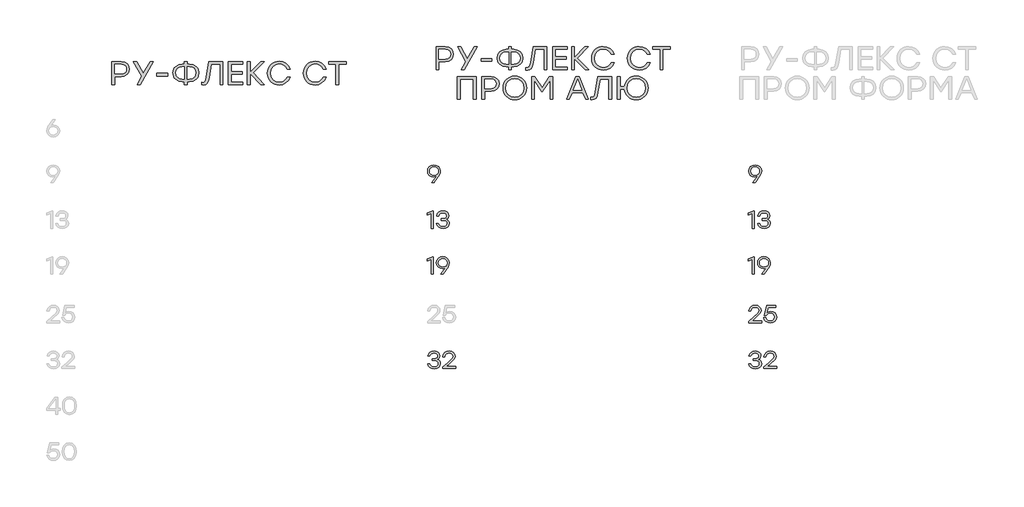
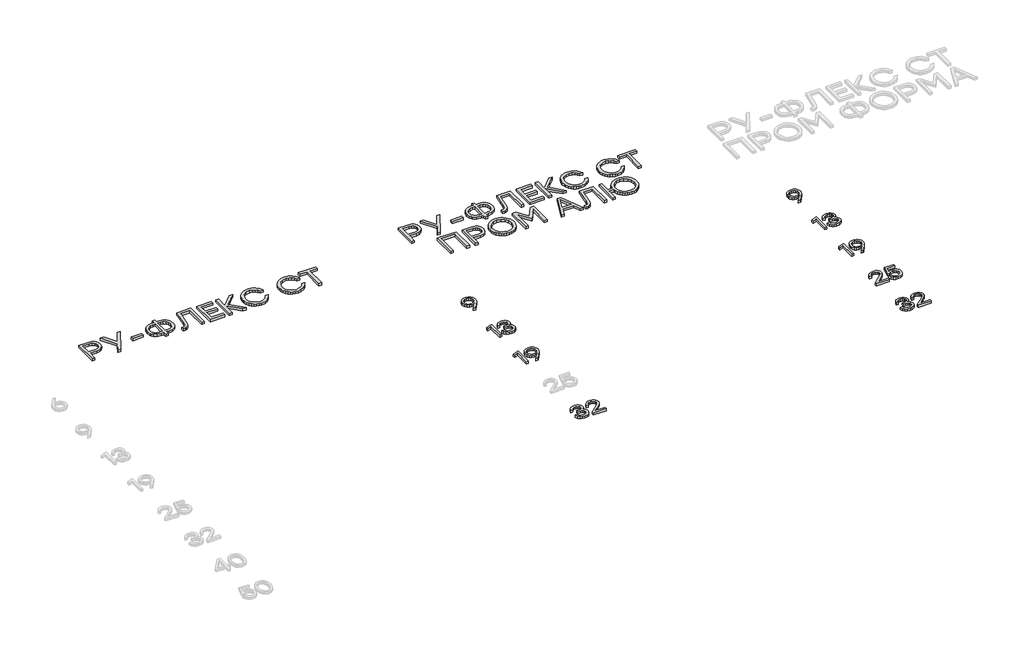
# One storey, part 32 of 41: 11 proxies.
"""IFC4 building model written with IfcOpenShell, lengths in millimetres."""

from ifc_helpers import new_model, si_unit, origin, origin_with_axes, place, context, project, spatial, polyline, outline, extrude, element, save

model = new_model("IFC4")

# Units and contexts
model_context = context("Model", 3, world=origin())
ifc_project = project(units=[si_unit("LENGTHUNIT", "METRE", prefix="MILLI")], contexts=[model_context])

# Site, building, storey
site = spatial("IfcSite", under=ifc_project)
building = spatial("IfcBuilding", under=site)
storey = spatial("IfcBuildingStorey", under=building, Elevation=0.0)

# Proxies
placement = place(None, origin())
element("IfcBuildingElementProxy", 1, Name="Generic Models", at=placement, inside=storey, context=model_context, shape_type="SweptSolid", body=[
    extrude(outline(polyline([(10036.0477337, -11062.8318641), (10057.9179343, -11066.477738), (10075.9254248, -11077.4153597), (10087.9825264, -11094.5655908), (10092.0015602, -11116.849293), (10089.3743122, -11134.6903743), (10081.4925683, -11152.6323096), (10039.7188211, -11212.216882), (10037.3386655, -11215.2021618), (10016.5627313, -11215.2021618), (10059.2038234, -11158.1994532), (10045.2254522, -11164.1599275), (10031.1260561, -11166.1467523), (10011.4645592, -11162.7983978), (9994.9194524, -11152.7533345), (9983.6792686, -11136.9192488), (9979.9325406, -11116.203827), (9983.9515745, -11094.6563594), (9996.0086761, -11077.6170678), (10014.0565082, -11066.528165), (10036.0477337, -11062.8318641)]), holes=[polyline([(10035.8460256, -11152.1885518), (10051.2313108, -11149.727713), (10063.5002059, -11142.3451966), (10071.5332309, -11130.8377496), (10074.2109059, -11116.0021189), (10071.4777612, -11101.1614456), (10063.278327, -11089.6388704), (10051.0094319, -11082.2412259), (10036.0679045, -11079.7753444), (10021.1263771, -11082.291653), (10008.857482, -11089.8405785), (10000.6580478, -11101.4640077), (9997.924903, -11116.203827), (10000.6277916, -11131.0142442), (10008.7364571, -11142.4460507), (10020.9196263, -11149.7529265), (10035.8460256, -11152.1885518)])]), origin_with_axes(), (0.0, 0.0, 1.0), 20.0),
])
element("IfcBuildingElementProxy", 2, Name="Generic Models", at=placement, inside=storey, context=model_context, shape_type="SweptSolid", body=[
    extrude(outline(polyline([(10021.9281668, -11465.2120197), (10030.077174, -11465.2120197), (10030.077174, -11615.2021618), (10012.2865197, -11615.2021618), (10012.2865197, -11485.9879539), (9977.7944348, -11499.9058127), (9977.7944348, -11482.3572081), (10021.9281668, -11465.2120197)])), origin_with_axes(), (0.0, 0.0, 1.0), 20.0),
    extrude(outline(polyline([(10143.1143924, -11536.1325872), (10154.32432, -11541.5988767), (10162.7002488, -11549.8487379), (10167.9194458, -11560.5090109), (10169.6591782, -11573.2065357), (10165.9628773, -11591.4560759), (10154.8739746, -11605.5403439), (10137.7842559, -11614.5415678), (10116.0855072, -11617.5419758), (10094.6994061, -11614.6525073), (10076.7725988, -11605.9841017), (10063.8279816, -11591.7989797), (10057.3884505, -11572.3593617), (10075.3808129, -11572.3593617), (10080.2419781, -11584.7316322), (10088.6128642, -11593.5689683), (10100.4934712, -11598.8713699), (10115.8837991, -11600.6388371), (10130.7950703, -11598.7074821), (10142.1260227, -11592.9134169), (10149.2816175, -11583.8012536), (10151.6668158, -11571.9156039), (10149.6598202, -11561.134306), (10143.6388335, -11552.7533345), (10133.2710372, -11547.3677283), (10118.2236131, -11545.5725262), (10097.4476789, -11545.5725262), (10097.4476789, -11529.9199777), (10113.1002273, -11529.9199777), (10127.8198758, -11528.4727221), (10138.3339105, -11524.1309553), (10144.6423313, -11516.8946773), (10146.7451382, -11506.763888), (10144.4658367, -11495.6245583), (10137.6279321, -11487.0570068), (10127.038257, -11481.59576), (10113.5036435, -11479.7753444), (10100.6649231, -11481.3032833), (10090.3878954, -11485.8870998), (10082.7229877, -11494.0008081), (10077.7206268, -11506.1184221), (10059.7282645, -11506.1184221), (10066.3997598, -11486.9158111), (10078.2652387, -11473.4417101), (10094.4170147, -11465.4843256), (10113.9474014, -11462.8318641), (10133.9618874, -11465.7515889), (10150.2750299, -11474.5107631), (10161.1218829, -11487.8789673), (10164.7375006, -11504.6257822), (10159.1703571, -11523.9090764), (10152.3727941, -11531.1403117), (10143.1143924, -11536.1325872)])), origin_with_axes(), (0.0, 0.0, 1.0), 20.0),
])
element("IfcBuildingElementProxy", 3, Name="Generic Models", at=placement, inside=storey, context=model_context, shape_type="SweptSolid", body=[
    extrude(outline(polyline([(10021.9281668, -11865.2120197), (10030.077174, -11865.2120197), (10030.077174, -12015.2021618), (10012.2865197, -12015.2021618), (10012.2865197, -11885.9879539), (9977.7944348, -11899.9058127), (9977.7944348, -11882.3572081), (10021.9281668, -11865.2120197)])), origin_with_axes(), (0.0, 0.0, 1.0), 20.0),
    extrude(outline(polyline([(10113.5036435, -11862.8318641), (10135.3738441, -11866.477738), (10153.3813346, -11877.4153597), (10165.4384362, -11894.5655908), (10169.4574701, -11916.849293), (10166.8302221, -11934.6903743), (10158.9484782, -11952.6323096), (10117.1747309, -12012.216882), (10114.7945754, -12015.2021618), (10094.0186412, -12015.2021618), (10136.6597333, -11958.1994532), (10122.681362, -11964.1599275), (10108.5819659, -11966.1467523), (10088.920469, -11962.7983978), (10072.3753622, -11952.7533345), (10061.1351784, -11936.9192488), (10057.3884505, -11916.203827), (10061.4074844, -11894.6563594), (10073.464586, -11877.6170678), (10091.5124181, -11866.528165), (10113.5036435, -11862.8318641)]), holes=[polyline([(10113.3019354, -11952.1885518), (10128.6872207, -11949.727713), (10140.9561158, -11942.3451966), (10148.9891408, -11930.8377496), (10151.6668158, -11916.0021189), (10148.9336711, -11901.1614456), (10140.7342369, -11889.6388704), (10128.4653418, -11882.2412259), (10113.5238144, -11879.7753444), (10098.5822869, -11882.291653), (10086.3133919, -11889.8405785), (10078.1139576, -11901.4640077), (10075.3808129, -11916.203827), (10078.0837014, -11931.0142442), (10086.192367, -11942.4460507), (10098.3755361, -11949.7529265), (10113.3019354, -11952.1885518)])]), origin_with_axes(), (0.0, 0.0, 1.0), 20.0),
])
element("IfcBuildingElementProxy", 4, Name="Generic Models", at=placement, inside=storey, context=model_context, shape_type="SweptSolid", body=[
    extrude(outline(polyline([(10065.6584826, -12760.1325872), (10076.8684101, -12765.5988767), (10085.2443389, -12773.8487379), (10090.463536, -12784.5090109), (10092.2032683, -12797.2065357), (10088.5069674, -12815.4560759), (10077.4180647, -12829.5403439), (10060.328346, -12838.5415678), (10038.6295973, -12841.5419758), (10017.2434962, -12838.6525073), (9999.3166889, -12829.9841017), (9986.3720717, -12815.7989797), (9979.9325406, -12796.3593617), (9997.924903, -12796.3593617), (10002.7860682, -12808.7316322), (10011.1569543, -12817.5689683), (10023.0375613, -12822.8713699), (10038.4278892, -12824.6388371), (10053.3391604, -12822.7074821), (10064.6701129, -12816.9134169), (10071.8257077, -12807.8012536), (10074.2109059, -12795.9156039), (10072.2039104, -12785.134306), (10066.1829236, -12776.7533345), (10055.8151273, -12771.3677283), (10040.7677032, -12769.5725262), (10019.991769, -12769.5725262), (10019.991769, -12753.9199777), (10035.6443175, -12753.9199777), (10050.363966, -12752.4727221), (10060.8780006, -12748.1309553), (10067.1864214, -12740.8946773), (10069.2892283, -12730.763888), (10067.0099268, -12719.6245583), (10060.1720223, -12711.0570068), (10049.5823471, -12705.59576), (10036.0477337, -12703.7753444), (10023.2090132, -12705.3032833), (10012.9319856, -12709.8870998), (10005.2670778, -12718.0008081), (10000.264717, -12730.1184221), (9982.2723546, -12730.1184221), (9988.9438499, -12710.9158111), (10000.8093288, -12697.4417101), (10016.9611048, -12689.4843256), (10036.4914915, -12686.8318641), (10056.5059776, -12689.7515889), (10072.8191201, -12698.5107631), (10083.6659731, -12711.8789673), (10087.2815907, -12728.6257822), (10081.7144472, -12747.9090764), (10074.9168843, -12755.1403117), (10065.6584826, -12760.1325872)])), origin_with_axes(), (0.0, 0.0, 1.0), 20.0),
    extrude(outline(polyline([(10224.1203648, -12822.0569735), (10224.1203648, -12839.2021618), (10111.6075874, -12839.2021618), (10111.6075874, -12826.3331851), (10155.0958535, -12788.4120626), (10193.7834668, -12752.4273378), (10200.1372719, -12742.4629577), (10202.2552069, -12731.8531118), (10199.9506919, -12720.577629), (10193.0371468, -12711.6016187), (10182.2659344, -12705.731913), (10168.3884172, -12703.7753444), (10154.4554303, -12705.8378097), (10143.5178086, -12712.0252057), (10135.6411074, -12721.9643722), (10130.8908816, -12735.2821494), (10112.8985192, -12735.2821494), (10119.0960006, -12715.2827915), (10131.3144687, -12699.9025489), (10148.4142727, -12690.0995353), (10169.255762, -12686.8318641), (10189.7997318, -12689.9936386), (10206.0069776, -12699.4789619), (10216.5361403, -12713.7346818), (10220.0458612, -12731.2076458), (10217.4992965, -12745.8466111), (10209.8596023, -12758.9425094), (10169.6591782, -12797.2065357), (10140.935945, -12822.0569735), (10224.1203648, -12822.0569735)])), origin_with_axes(), (0.0, 0.0, 1.0), 20.0),
])
element("IfcBuildingElementProxy", 5, Name="Generic Models", at=placement, inside=storey, context=model_context, shape_type="SweptSolid", body=[
    extrude(outline(polyline([(12836.0477337, -11062.8318641), (12857.9179343, -11066.477738), (12875.9254248, -11077.4153597), (12887.9825264, -11094.5655908), (12892.0015602, -11116.849293), (12889.3743122, -11134.6903743), (12881.4925683, -11152.6323096), (12839.7188211, -11212.216882), (12837.3386655, -11215.2021618), (12816.5627313, -11215.2021618), (12859.2038234, -11158.1994532), (12845.2254522, -11164.1599275), (12831.1260561, -11166.1467523), (12811.4645592, -11162.7983978), (12794.9194524, -11152.7533345), (12783.6792686, -11136.9192488), (12779.9325406, -11116.203827), (12783.9515745, -11094.6563594), (12796.0086761, -11077.6170678), (12814.0565082, -11066.528165), (12836.0477337, -11062.8318641)]), holes=[polyline([(12835.8460256, -11152.1885518), (12851.2313108, -11149.727713), (12863.5002059, -11142.3451966), (12871.5332309, -11130.8377496), (12874.2109059, -11116.0021189), (12871.4777612, -11101.1614456), (12863.278327, -11089.6388704), (12851.0094319, -11082.2412259), (12836.0679045, -11079.7753444), (12821.1263771, -11082.291653), (12808.857482, -11089.8405785), (12800.6580478, -11101.4640077), (12797.924903, -11116.203827), (12800.6277916, -11131.0142442), (12808.7364571, -11142.4460507), (12820.9196263, -11149.7529265), (12835.8460256, -11152.1885518)])]), origin_with_axes(), (0.0, 0.0, 1.0), 20.0),
])
element("IfcBuildingElementProxy", 6, Name="Generic Models", at=placement, inside=storey, context=model_context, shape_type="SweptSolid", body=[
    extrude(outline(polyline([(12821.9281668, -11465.2120197), (12830.077174, -11465.2120197), (12830.077174, -11615.2021618), (12812.2865197, -11615.2021618), (12812.2865197, -11485.9879539), (12777.7944348, -11499.9058127), (12777.7944348, -11482.3572081), (12821.9281668, -11465.2120197)])), origin_with_axes(), (0.0, 0.0, 1.0), 20.0),
    extrude(outline(polyline([(12943.1143924, -11536.1325872), (12954.32432, -11541.5988767), (12962.7002488, -11549.8487379), (12967.9194458, -11560.5090109), (12969.6591782, -11573.2065357), (12965.9628773, -11591.4560759), (12954.8739746, -11605.5403439), (12937.7842559, -11614.5415678), (12916.0855072, -11617.5419758), (12894.6994061, -11614.6525073), (12876.7725988, -11605.9841017), (12863.8279816, -11591.7989797), (12857.3884505, -11572.3593617), (12875.3808129, -11572.3593617), (12880.2419781, -11584.7316322), (12888.6128642, -11593.5689683), (12900.4934712, -11598.8713699), (12915.8837991, -11600.6388371), (12930.7950703, -11598.7074821), (12942.1260227, -11592.9134169), (12949.2816175, -11583.8012536), (12951.6668158, -11571.9156039), (12949.6598202, -11561.134306), (12943.6388335, -11552.7533345), (12933.2710372, -11547.3677283), (12918.2236131, -11545.5725262), (12897.4476789, -11545.5725262), (12897.4476789, -11529.9199777), (12913.1002273, -11529.9199777), (12927.8198758, -11528.4727221), (12938.3339105, -11524.1309553), (12944.6423313, -11516.8946773), (12946.7451382, -11506.763888), (12944.4658367, -11495.6245583), (12937.6279321, -11487.0570068), (12927.038257, -11481.59576), (12913.5036435, -11479.7753444), (12900.6649231, -11481.3032833), (12890.3878954, -11485.8870998), (12882.7229877, -11494.0008081), (12877.7206268, -11506.1184221), (12859.7282645, -11506.1184221), (12866.3997598, -11486.9158111), (12878.2652387, -11473.4417101), (12894.4170147, -11465.4843256), (12913.9474014, -11462.8318641), (12933.9618874, -11465.7515889), (12950.2750299, -11474.5107631), (12961.1218829, -11487.8789673), (12964.7375006, -11504.6257822), (12959.1703571, -11523.9090764), (12952.3727941, -11531.1403117), (12943.1143924, -11536.1325872)])), origin_with_axes(), (0.0, 0.0, 1.0), 20.0),
])
element("IfcBuildingElementProxy", 7, Name="Generic Models", at=placement, inside=storey, context=model_context, shape_type="SweptSolid", body=[
    extrude(outline(polyline([(12821.9281668, -11865.2120197), (12830.077174, -11865.2120197), (12830.077174, -12015.2021618), (12812.2865197, -12015.2021618), (12812.2865197, -11885.9879539), (12777.7944348, -11899.9058127), (12777.7944348, -11882.3572081), (12821.9281668, -11865.2120197)])), origin_with_axes(), (0.0, 0.0, 1.0), 20.0),
    extrude(outline(polyline([(12913.5036435, -11862.8318641), (12935.3738441, -11866.477738), (12953.3813346, -11877.4153597), (12965.4384362, -11894.5655908), (12969.4574701, -11916.849293), (12966.8302221, -11934.6903743), (12958.9484782, -11952.6323096), (12917.1747309, -12012.216882), (12914.7945754, -12015.2021618), (12894.0186412, -12015.2021618), (12936.6597333, -11958.1994532), (12922.681362, -11964.1599275), (12908.5819659, -11966.1467523), (12888.920469, -11962.7983978), (12872.3753622, -11952.7533345), (12861.1351784, -11936.9192488), (12857.3884505, -11916.203827), (12861.4074844, -11894.6563594), (12873.464586, -11877.6170678), (12891.5124181, -11866.528165), (12913.5036435, -11862.8318641)]), holes=[polyline([(12913.3019354, -11952.1885518), (12928.6872207, -11949.727713), (12940.9561158, -11942.3451966), (12948.9891408, -11930.8377496), (12951.6668158, -11916.0021189), (12948.9336711, -11901.1614456), (12940.7342369, -11889.6388704), (12928.4653418, -11882.2412259), (12913.5238144, -11879.7753444), (12898.5822869, -11882.291653), (12886.3133919, -11889.8405785), (12878.1139576, -11901.4640077), (12875.3808129, -11916.203827), (12878.0837014, -11931.0142442), (12886.192367, -11942.4460507), (12898.3755361, -11949.7529265), (12913.3019354, -11952.1885518)])]), origin_with_axes(), (0.0, 0.0, 1.0), 20.0),
])
element("IfcBuildingElementProxy", 8, Name="Generic Models", at=placement, inside=storey, context=model_context, shape_type="SweptSolid", body=[
    extrude(outline(polyline([(12892.445318, -12422.0569735), (12892.445318, -12439.2021618), (12779.9325406, -12439.2021618), (12779.9325406, -12426.3331851), (12823.4208067, -12388.4120626), (12862.10842, -12352.4273378), (12868.4622251, -12342.4629577), (12870.5801602, -12331.8531118), (12868.2756451, -12320.577629), (12861.3621001, -12311.6016187), (12850.5908876, -12305.731913), (12836.7133704, -12303.7753444), (12822.7803835, -12305.8378097), (12811.8427618, -12312.0252057), (12803.9660606, -12321.9643722), (12799.2158349, -12335.2821494), (12781.2234725, -12335.2821494), (12787.4209538, -12315.2827915), (12799.6394219, -12299.9025489), (12816.7392259, -12290.0995353), (12837.5807152, -12286.8318641), (12858.1246851, -12289.9936386), (12874.3319308, -12299.4789619), (12884.8610935, -12313.7346818), (12888.3708145, -12331.2076458), (12885.8242497, -12345.8466111), (12878.1845555, -12358.9425094), (12837.9841314, -12397.2065357), (12809.2608982, -12422.0569735), (12892.445318, -12422.0569735)])), origin_with_axes(), (0.0, 0.0, 1.0), 20.0),
    extrude(outline(polyline([(12973.5319737, -12340.203827), (12993.4203922, -12343.577395), (13009.8394314, -12353.6980988), (13020.8526936, -12369.3960316), (13024.523781, -12389.5012863), (13020.6156866, -12410.20158), (13008.8914034, -12426.877797), (12991.3276707, -12437.8759311), (12969.9012279, -12441.5419758), (12948.9437565, -12438.4911408), (12931.0925897, -12429.3386358), (12918.072332, -12414.6089019), (12911.6075874, -12394.8263801), (12929.5999498, -12394.8263801), (12934.748549, -12407.5289477), (12943.7396875, -12416.9134169), (12955.7362767, -12422.7074821), (12969.9012279, -12424.6388371), (12984.3889121, -12422.1174859), (12996.1434515, -12414.5534322), (13003.9344269, -12403.2476933), (13006.5314186, -12389.5012863), (13003.9596404, -12375.558214), (12996.2443056, -12364.6306778), (12984.5654067, -12357.5658516), (12970.102936, -12355.2109096), (12949.1051229, -12360.0821602), (12934.5216274, -12374.6959119), (12917.376439, -12374.6959119), (12935.6108512, -12289.2120197), (13017.4639976, -12289.2120197), (13017.4639976, -12306.1151584), (12949.0849521, -12306.1151584), (12939.2415969, -12352.830754), (12954.6722665, -12343.3605588), (12973.5319737, -12340.203827)])), origin_with_axes(), (0.0, 0.0, 1.0), 20.0),
])
element("IfcBuildingElementProxy", 9, Name="Generic Models", at=placement, inside=storey, context=model_context, shape_type="SweptSolid", body=[
    extrude(outline(polyline([(12865.6584826, -12760.1325872), (12876.8684101, -12765.5988767), (12885.2443389, -12773.8487379), (12890.463536, -12784.5090109), (12892.2032683, -12797.2065357), (12888.5069674, -12815.4560759), (12877.4180647, -12829.5403439), (12860.328346, -12838.5415678), (12838.6295973, -12841.5419758), (12817.2434962, -12838.6525073), (12799.3166889, -12829.9841017), (12786.3720717, -12815.7989797), (12779.9325406, -12796.3593617), (12797.924903, -12796.3593617), (12802.7860682, -12808.7316322), (12811.1569543, -12817.5689683), (12823.0375613, -12822.8713699), (12838.4278892, -12824.6388371), (12853.3391604, -12822.7074821), (12864.6701129, -12816.9134169), (12871.8257077, -12807.8012536), (12874.2109059, -12795.9156039), (12872.2039104, -12785.134306), (12866.1829236, -12776.7533345), (12855.8151273, -12771.3677283), (12840.7677032, -12769.5725262), (12819.991769, -12769.5725262), (12819.991769, -12753.9199777), (12835.6443175, -12753.9199777), (12850.363966, -12752.4727221), (12860.8780006, -12748.1309553), (12867.1864214, -12740.8946773), (12869.2892283, -12730.763888), (12867.0099268, -12719.6245583), (12860.1720223, -12711.0570068), (12849.5823471, -12705.59576), (12836.0477337, -12703.7753444), (12823.2090132, -12705.3032833), (12812.9319856, -12709.8870998), (12805.2670778, -12718.0008081), (12800.264717, -12730.1184221), (12782.2723546, -12730.1184221), (12788.9438499, -12710.9158111), (12800.8093288, -12697.4417101), (12816.9611048, -12689.4843256), (12836.4914915, -12686.8318641), (12856.5059776, -12689.7515889), (12872.8191201, -12698.5107631), (12883.6659731, -12711.8789673), (12887.2815907, -12728.6257822), (12881.7144472, -12747.9090764), (12874.9168843, -12755.1403117), (12865.6584826, -12760.1325872)])), origin_with_axes(), (0.0, 0.0, 1.0), 20.0),
    extrude(outline(polyline([(13024.1203648, -12822.0569735), (13024.1203648, -12839.2021618), (12911.6075874, -12839.2021618), (12911.6075874, -12826.3331851), (12955.0958535, -12788.4120626), (12993.7834668, -12752.4273378), (13000.1372719, -12742.4629577), (13002.2552069, -12731.8531118), (12999.9506919, -12720.577629), (12993.0371468, -12711.6016187), (12982.2659344, -12705.731913), (12968.3884172, -12703.7753444), (12954.4554303, -12705.8378097), (12943.5178086, -12712.0252057), (12935.6411074, -12721.9643722), (12930.8908816, -12735.2821494), (12912.8985192, -12735.2821494), (12919.0960006, -12715.2827915), (12931.3144687, -12699.9025489), (12948.4142727, -12690.0995353), (12969.255762, -12686.8318641), (12989.7997318, -12689.9936386), (13006.0069776, -12699.4789619), (13016.5361403, -12713.7346818), (13020.0458612, -12731.2076458), (13017.4992965, -12745.8466111), (13009.8596023, -12758.9425094), (12969.6591782, -12797.2065357), (12940.935945, -12822.0569735), (13024.1203648, -12822.0569735)])), origin_with_axes(), (0.0, 0.0, 1.0), 20.0),
])
element("IfcBuildingElementProxy", 10, Name="Generic Models", at=placement, inside=storey, context=model_context, shape_type="SweptSolid", body=[
    extrude(outline(polyline([(10135.0704158, -10031.3740126), (10164.0894876, -10035.8384851), (10185.9546455, -10049.2319029), (10199.6707962, -10069.6851041), (10204.2428464, -10095.328927), (10199.6304546, -10121.3627189), (10185.793279, -10142.2327836), (10163.8877795, -10155.9489343), (10135.0704158, -10160.5209845), (10078.4845706, -10160.5209845), (10078.4845706, -10231.3608687), (10054.7636982, -10231.3608687), (10054.7636982, -10031.3740126), (10135.0704158, -10031.3740126)]), holes=[polyline([(10134.2097946, -10137.9296774), (10154.0780423, -10134.9309504), (10168.5001714, -10125.9347692), (10177.2744737, -10112.3665378), (10180.1992411, -10095.65166), (10177.2744737, -10079.0040182), (10168.5001714, -10065.6374949), (10154.0780423, -10056.8430218), (10134.2097946, -10053.9115308), (10078.4845706, -10053.9115308), (10078.4845706, -10137.9296774), (10134.2097946, -10137.9296774)])]), origin_with_axes(), (0.0, 0.0, 1.0), 20.0),
    extrude(outline(polyline([(10413.2662254, -10031.3740126), (10300.1483237, -10231.3608687), (10273.3076994, -10231.3608687), (10314.7250957, -10158.7997421), (10241.841236, -10031.3740126), (10268.7356492, -10031.3740126), (10327.8495693, -10133.3576272), (10386.6945452, -10031.3740126), (10413.2662254, -10031.3740126)])), origin_with_axes(), (0.0, 0.0, 1.0), 20.0),
    extrude(outline(polyline([(10539.8313337, -10133.9493043), (10539.8313337, -10156.4868225), (10447.2069748, -10156.4868225), (10447.2069748, -10133.9493043), (10539.8313337, -10133.9493043)])), origin_with_axes(), (0.0, 0.0, 1.0), 20.0),
    extrude(outline(polyline([(10730.4051453, -10053.9115308), (10762.053146, -10059.0214693), (10787.8247174, -10074.3512848), (10797.8143109, -10085.4536347), (10804.9497349, -10098.3209305), (10810.6580741, -10129.3503597), (10804.9833529, -10160.3797888), (10797.8899515, -10173.2470846), (10787.9591894, -10184.3494345), (10762.221236, -10199.67925), (10730.4051453, -10204.7891885), (10710.664646, -10204.7891885), (10710.664646, -10231.3608687), (10686.9437736, -10231.3608687), (10686.9437736, -10204.7891885), (10666.9881191, -10204.7891885), (10635.1316867, -10199.67925), (10609.3802861, -10184.3494345), (10599.4495241, -10173.2470846), (10592.3561226, -10160.3797888), (10586.6814014, -10129.3503597), (10592.3964642, -10098.3209305), (10599.5402927, -10085.4536347), (10609.5416526, -10074.3512848), (10635.3333948, -10059.0214693), (10666.9881191, -10053.9115308), (10686.9437736, -10053.9115308), (10686.9437736, -10031.3740126), (10710.664646, -10031.3740126), (10710.664646, -10053.9115308), (10730.4051453, -10053.9115308)]), holes=[polyline([(10730.4051453, -10182.1978815), (10753.0098995, -10178.7352258), (10771.1232868, -10168.3472587), (10783.0240646, -10151.6727226), (10786.9909906, -10129.3503597), (10783.0240646, -10107.0279967), (10771.1232868, -10090.3534606), (10753.0098995, -10079.9654935), (10730.4051453, -10076.5028378), (10710.664646, -10076.5028378), (10710.664646, -10182.1978815), (10730.4051453, -10182.1978815)]), polyline([(10666.9881191, -10182.1978815), (10686.9437736, -10182.1978815), (10686.9437736, -10076.5028378), (10666.9881191, -10076.5028378), (10644.5850729, -10079.9654935), (10626.5389217, -10090.3534606), (10614.6381439, -10107.0279967), (10610.671218, -10129.3503597), (10614.5978023, -10151.6727226), (10626.3775552, -10168.3472587), (10644.3833648, -10178.7352258), (10666.9881191, -10182.1978815)])]), origin_with_axes(), (0.0, 0.0, 1.0), 20.0),
    extrude(outline(polyline([(10900.3240476, -10031.3740126), (11020.5958632, -10031.3740126), (11020.5958632, -10231.3608687), (10996.8749908, -10231.3608687), (10996.8749908, -10053.9115308), (10920.2797021, -10053.9115308), (10901.1846688, -10170.2029732), (10894.0845437, -10200.2238619), (10884.2949773, -10219.9307431), (10871.0898205, -10230.8431513), (10853.742924, -10234.4806207), (10838.0365867, -10233.6199994), (10838.0365867, -10211.9431024), (10849.1708738, -10212.4809907), (10859.8681266, -10210.1949656), (10867.4321803, -10203.3368902), (10877.7327405, -10168.8044637), (10900.3240476, -10031.3740126)])), origin_with_axes(), (0.0, 0.0, 1.0), 20.0),
    extrude(outline(polyline([(11197.1845799, -10053.9115308), (11094.0176111, -10053.9115308), (11094.0176111, -10117.3823458), (11190.2996101, -10117.3823458), (11190.2996101, -10139.919864), (11094.0176111, -10139.919864), (11094.0176111, -10208.7695617), (11197.1845799, -10208.7695617), (11197.1845799, -10231.3608687), (11070.2967387, -10231.3608687), (11070.2967387, -10031.3740126), (11197.1845799, -10031.3740126), (11197.1845799, -10053.9115308)])), origin_with_axes(), (0.0, 0.0, 1.0), 20.0),
    extrude(outline(polyline([(11383.8318071, -10231.3608687), (11353.2797538, -10231.3608687), (11259.2568854, -10134.2182484), (11259.2568854, -10231.3608687), (11235.536013, -10231.3608687), (11235.536013, -10031.3740126), (11259.2568854, -10031.3740126), (11259.2568854, -10125.074148), (11350.1600019, -10031.3740126), (11380.4431111, -10031.3740126), (11285.8285656, -10129.3772541), (11383.8318071, -10231.3608687)])), origin_with_axes(), (0.0, 0.0, 1.0), 20.0),
    extrude(outline(polyline([(11512.8712014, -10234.4806207), (11491.6733612, -10232.6417152), (11472.3480444, -10227.1249987), (11454.8952512, -10217.9304712), (11439.3149815, -10205.0581327), (11426.5014745, -10189.4173505), (11417.3489695, -10171.9174921), (11411.8574665, -10152.5585573), (11410.0269656, -10131.3405462), (11411.8574665, -10110.1225352), (11417.3489695, -10090.7636004), (11426.5014745, -10073.2637419), (11439.3149815, -10057.6229598), (11454.8952512, -10044.7506213), (11472.3480444, -10035.5560938), (11491.6733612, -10030.0393773), (11512.8712014, -10028.2004718), (11544.351112, -10032.738904), (11571.8775439, -10046.3542007), (11593.6216769, -10067.6075107), (11607.754691, -10095.0599829), (11582.3125762, -10095.0599829), (11570.8488326, -10076.8524652), (11554.7458027, -10062.7866871), (11534.9985799, -10053.7905059), (11512.6022573, -10050.7917788), (11481.7005766, -10056.5404597), (11456.4467226, -10073.7865021), (11439.6242672, -10099.6790983), (11434.0167821, -10131.3674406), (11439.6242672, -10163.0557829), (11456.4467226, -10188.9483792), (11481.7005766, -10206.1944216), (11512.6022573, -10211.9431024), (11534.9985799, -10208.9443754), (11554.7458027, -10199.9481942), (11570.8488326, -10185.8689689), (11582.3125762, -10167.6211096), (11607.754691, -10167.6211096), (11593.6216769, -10195.1071998), (11571.8775439, -10216.3537862), (11544.351112, -10229.948912), (11512.8712014, -10234.4806207)])), origin_with_axes(), (0.0, 0.0, 1.0), 20.0),
    extrude(outline(polyline([(11826.1373258, -10234.4806207), (11804.9394855, -10232.6417152), (11785.6141688, -10227.1249987), (11768.1613755, -10217.9304712), (11752.5811058, -10205.0581327), (11739.7675989, -10189.4173505), (11730.6150939, -10171.9174921), (11725.1235909, -10152.5585573), (11723.2930899, -10131.3405462), (11725.1235909, -10110.1225352), (11730.6150939, -10090.7636004), (11739.7675989, -10073.2637419), (11752.5811058, -10057.6229598), (11768.1613755, -10044.7506213), (11785.6141688, -10035.5560938), (11804.9394855, -10030.0393773), (11826.1373258, -10028.2004718), (11857.6172364, -10032.738904), (11885.1436682, -10046.3542007), (11906.8878013, -10067.6075107), (11921.0208154, -10095.0599829), (11895.5787005, -10095.0599829), (11884.1149569, -10076.8524652), (11868.0119271, -10062.7866871), (11848.2647042, -10053.7905059), (11825.8683817, -10050.7917788), (11794.9667009, -10056.5404597), (11769.712847, -10073.7865021), (11752.8903916, -10099.6790983), (11747.2829064, -10131.3674406), (11752.8903916, -10163.0557829), (11769.712847, -10188.9483792), (11794.9667009, -10206.1944216), (11825.8683817, -10211.9431024), (11848.2647042, -10208.9443754), (11868.0119271, -10199.9481942), (11884.1149569, -10185.8689689), (11895.5787005, -10167.6211096), (11921.0208154, -10167.6211096), (11906.8878013, -10195.1071998), (11885.1436682, -10216.3537862), (11857.6172364, -10229.948912), (11826.1373258, -10234.4806207)])), origin_with_axes(), (0.0, 0.0, 1.0), 20.0),
    extrude(outline(polyline([(12095.9420785, -10031.3740126), (12095.9420785, -10053.9115308), (12031.3416981, -10053.9115308), (12031.3416981, -10231.3608687), (12007.3518816, -10231.3608687), (12007.3518816, -10053.9115308), (11943.0742342, -10053.9115308), (11943.0742342, -10031.3740126), (12095.9420785, -10031.3740126)])), origin_with_axes(), (0.0, 0.0, 1.0), 20.0),
    extrude(outline(polyline([(10404.122125, -10289.8962556), (10404.122125, -10489.8831117), (10380.4012526, -10489.8831117), (10380.4012526, -10312.4337738), (10264.3787542, -10312.4337738), (10264.3787542, -10489.8831117), (10240.6578819, -10489.8831117), (10240.6578819, -10289.8962556), (10264.3787542, -10289.8962556), (10404.122125, -10289.8962556)])), origin_with_axes(), (0.0, 0.0, 1.0), 20.0),
    extrude(outline(polyline([(10534.3986623, -10289.8962556), (10563.417734, -10294.3607281), (10585.2828919, -10307.7541459), (10598.9990426, -10328.2073471), (10603.5710929, -10353.85117), (10598.958701, -10379.884962), (10585.1215255, -10400.7550266), (10563.2160259, -10414.4711773), (10534.3986623, -10419.0432275), (10477.812817, -10419.0432275), (10477.812817, -10489.8831117), (10454.0919446, -10489.8831117), (10454.0919446, -10289.8962556), (10534.3986623, -10289.8962556)]), holes=[polyline([(10533.538041, -10396.4519205), (10553.4062888, -10393.4531934), (10567.8284178, -10384.4570122), (10576.6027201, -10370.8887808), (10579.5274875, -10354.173903), (10576.6027201, -10337.5262613), (10567.8284178, -10324.1597379), (10553.4062888, -10315.3652648), (10533.538041, -10312.4337738), (10477.812817, -10312.4337738), (10477.812817, -10396.4519205), (10533.538041, -10396.4519205)])]), origin_with_axes(), (0.0, 0.0, 1.0), 20.0),
    extrude(outline(polyline([(10668.1714733, -10316.3065693), (10683.9652174, -10303.3636329), (10701.4936512, -10294.1186784), (10720.7567746, -10288.5717057), (10741.7545876, -10286.7227148), (10762.7339108, -10288.5717057), (10781.9415645, -10294.1186784), (10799.3775487, -10303.3636329), (10815.0418635, -10316.3065693), (10827.9730335, -10331.9994593), (10837.2095835, -10349.4942751), (10842.7515135, -10368.7910165), (10844.5988235, -10389.8896837), (10842.7414281, -10410.9866699), (10837.1692419, -10430.2783686), (10827.8822648, -10447.7647798), (10814.880497, -10463.4459036), (10799.1472653, -10476.3770736), (10781.6658967, -10485.6136237), (10762.4363913, -10491.1555537), (10741.4587491, -10493.0028637), (10720.4811068, -10491.1555537), (10701.2516014, -10485.6136237), (10683.7702329, -10476.3770736), (10668.0370012, -10463.4459036), (10655.0352333, -10447.7647798), (10645.7482563, -10430.2783686), (10640.1760701, -10410.9866699), (10638.3186747, -10389.8896837), (10640.1844746, -10368.7910165), (10645.7818743, -10349.4942751), (10655.1108739, -10331.9994593), (10668.1714733, -10316.3065693)]), holes=[polyline([(10741.4856435, -10309.3140219), (10710.6780932, -10315.0963207), (10685.1687424, -10332.4432172), (10668.023554, -10358.3627078), (10662.3084912, -10389.8627892), (10668.023554, -10421.3695942), (10685.1687424, -10447.3092557), (10710.6780932, -10464.676323), (10741.4856435, -10470.4653454), (10772.4545602, -10464.7166646), (10797.9101223, -10447.4706222), (10814.9342858, -10421.5780259), (10820.609007, -10389.8896837), (10814.9342858, -10358.2013414), (10797.9101223, -10332.3087451), (10772.4545602, -10315.0627027), (10741.4856435, -10309.3140219)])]), origin_with_axes(), (0.0, 0.0, 1.0), 20.0),
    extrude(outline(polyline([(11042.4341266, -10289.8962556), (11071.5876705, -10289.8962556), (11071.5876705, -10489.8831117), (11047.8667981, -10489.8831117), (11047.8667981, -10320.4483089), (10980.1466658, -10422.7546565), (10977.8875351, -10422.7546565), (10910.1674028, -10320.4483089), (10910.1674028, -10489.8831117), (10886.4465304, -10489.8831117), (10886.4465304, -10289.8962556), (10915.6000742, -10289.8962556), (10979.0171004, -10385.3176334), (11042.4341266, -10289.8962556)])), origin_with_axes(), (0.0, 0.0, 1.0), 20.0),
    extrude(outline(polyline([(11358.0131705, -10489.8831117), (11334.2922981, -10429.8547816), (11241.4527839, -10429.8547816), (11217.7319115, -10489.8831117), (11192.6125297, -10489.8831117), (11272.5965144, -10289.8962556), (11303.1485677, -10289.8962556), (11383.1863412, -10489.8831117), (11358.0131705, -10489.8831117)]), holes=[polyline([(11250.5968844, -10407.3172634), (11325.4709306, -10407.3172634), (11288.0339075, -10312.4337738), (11250.5968844, -10407.3172634)])]), origin_with_axes(), (0.0, 0.0, 1.0), 20.0),
    extrude(outline(polyline([(11464.8915684, -10289.8962556), (11585.163384, -10289.8962556), (11585.163384, -10489.8831117), (11561.4425116, -10489.8831117), (11561.4425116, -10312.4337738), (11484.8472229, -10312.4337738), (11465.7521896, -10428.7252162), (11458.6520645, -10458.7461049), (11448.8624981, -10478.4529862), (11435.6573413, -10489.3653943), (11418.3104448, -10493.0028637), (11402.6041075, -10492.1422424), (11402.6041075, -10470.4653454), (11413.7383946, -10471.0032337), (11424.4356474, -10468.7172086), (11431.9997011, -10461.8591332), (11442.3002613, -10427.3267068), (11464.8915684, -10289.8962556)])), origin_with_axes(), (0.0, 0.0, 1.0), 20.0),
    extrude(outline(polyline([(11799.1891238, -10286.7227148), (11820.1768515, -10288.5717057), (11839.4097187, -10294.1186784), (11856.8877254, -10303.3636329), (11872.6108717, -10316.3065693), (11885.6008733, -10331.9994593), (11894.8794458, -10349.4942751), (11900.4465893, -10368.7910165), (11902.3023038, -10389.8896837), (11900.4465893, -10410.9866699), (11894.8794458, -10430.2783686), (11885.6008733, -10447.7647798), (11872.6108717, -10463.4459036), (11856.8877254, -10476.3770736), (11839.4097187, -10485.6136237), (11820.1768515, -10491.1555537), (11799.1891238, -10493.0028637), (11779.6318428, -10491.387518), (11761.5167746, -10486.5414809), (11744.8439193, -10478.4647525), (11729.613277, -10467.1573326), (11716.6686598, -10453.3689032), (11706.8538799, -10437.8491459), (11700.1689373, -10420.5980608), (11696.6138321, -10401.6156478), (11658.5851319, -10401.6156478), (11658.5851319, -10489.8831117), (11634.8642595, -10489.8831117), (11634.8642595, -10289.8962556), (11658.5851319, -10289.8962556), (11658.5851319, -10378.7553966), (11696.3448879, -10378.7553966), (11699.8983123, -10359.6217026), (11706.5782121, -10342.2395072), (11716.3845875, -10326.6088104), (11729.3174385, -10312.7296123), (11744.5564853, -10301.3515947), (11761.2814485, -10293.2244392), (11779.492328, -10288.3481459), (11799.1891238, -10286.7227148)]), holes=[polyline([(11742.7108562, -10447.4975166), (11768.2067599, -10464.7233882), (11799.1891238, -10470.4653454), (11830.1580406, -10464.7166646), (11855.6136026, -10447.4706222), (11872.6377661, -10421.5780259), (11878.3124873, -10389.8896837), (11872.6377661, -10358.2013414), (11855.6136026, -10332.3087451), (11830.1580406, -10315.0627027), (11799.1891238, -10309.3140219), (11768.2134835, -10315.0627027), (11742.7377506, -10332.3087451), (11725.6261802, -10358.2013414), (11719.7430274, -10389.8896837), (11725.6194566, -10421.5847495), (11742.7108562, -10447.4975166)])]), origin_with_axes(), (0.0, 0.0, 1.0), 20.0),
])
element("IfcBuildingElementProxy", 11, Name="Generic Models", at=placement, inside=storey, context=model_context, shape_type="SweptSolid", body=[
    extrude(outline(polyline([(7308.6263504, -10160.6351341), (7337.6454222, -10165.0996066), (7359.5105801, -10178.4930244), (7373.2267308, -10198.9462256), (7377.798781, -10224.5900485), (7373.1863892, -10250.6238405), (7359.3492136, -10271.4939051), (7337.4437141, -10285.2100558), (7308.6263504, -10289.782106), (7252.0405051, -10289.782106), (7252.0405051, -10360.6219902), (7228.3196327, -10360.6219902), (7228.3196327, -10160.6351341), (7308.6263504, -10160.6351341)]), holes=[polyline([(7307.7657292, -10267.190799), (7327.6339769, -10264.1920719), (7342.056106, -10255.1958907), (7350.8304082, -10241.6276593), (7353.7551757, -10224.9127815), (7350.8304082, -10208.2651397), (7342.056106, -10194.8986164), (7327.6339769, -10186.1041433), (7307.7657292, -10183.1726523), (7252.0405051, -10183.1726523), (7252.0405051, -10267.190799), (7307.7657292, -10267.190799)])]), origin_with_axes(), (0.0, 0.0, 1.0), 20.0),
    extrude(outline(polyline([(7586.82216, -10160.6351341), (7473.7042583, -10360.6219902), (7446.863634, -10360.6219902), (7488.2810302, -10288.0608636), (7415.3971706, -10160.6351341), (7442.2915838, -10160.6351341), (7501.4055039, -10262.6187487), (7560.2504798, -10160.6351341), (7586.82216, -10160.6351341)])), origin_with_axes(), (0.0, 0.0, 1.0), 20.0),
    extrude(outline(polyline([(7713.3872683, -10263.2104258), (7713.3872683, -10285.747944), (7620.7629094, -10285.747944), (7620.7629094, -10263.2104258), (7713.3872683, -10263.2104258)])), origin_with_axes(), (0.0, 0.0, 1.0), 20.0),
    extrude(outline(polyline([(7903.9610799, -10183.1726523), (7935.6090805, -10188.2825908), (7961.3806519, -10203.6124063), (7971.3702455, -10214.7147562), (7978.5056695, -10227.582052), (7984.2140087, -10258.6114812), (7978.5392875, -10289.6409103), (7971.4458861, -10302.5082061), (7961.515124, -10313.610556), (7935.7771706, -10328.9403715), (7903.9610799, -10334.05031), (7884.2205806, -10334.05031), (7884.2205806, -10360.6219902), (7860.4997082, -10360.6219902), (7860.4997082, -10334.05031), (7840.5440537, -10334.05031), (7808.6876213, -10328.9403715), (7782.9362207, -10313.610556), (7773.0054586, -10302.5082061), (7765.9120572, -10289.6409103), (7760.237336, -10258.6114812), (7765.9523988, -10227.582052), (7773.0962273, -10214.7147562), (7783.0975872, -10203.6124063), (7808.8893294, -10188.2825908), (7840.5440537, -10183.1726523), (7860.4997082, -10183.1726523), (7860.4997082, -10160.6351341), (7884.2205806, -10160.6351341), (7884.2205806, -10183.1726523), (7903.9610799, -10183.1726523)]), holes=[polyline([(7903.9610799, -10311.459003), (7926.5658341, -10307.9963473), (7944.6792214, -10297.6083802), (7956.5799992, -10280.9338441), (7960.5469251, -10258.6114812), (7956.5799992, -10236.2891182), (7944.6792214, -10219.6145821), (7926.5658341, -10209.226615), (7903.9610799, -10205.7639593), (7884.2205806, -10205.7639593), (7884.2205806, -10311.459003), (7903.9610799, -10311.459003)]), polyline([(7840.5440537, -10311.459003), (7860.4997082, -10311.459003), (7860.4997082, -10205.7639593), (7840.5440537, -10205.7639593), (7818.1410075, -10209.226615), (7800.0948563, -10219.6145821), (7788.1940785, -10236.2891182), (7784.2271525, -10258.6114812), (7788.1537369, -10280.9338441), (7799.9334898, -10297.6083802), (7817.9392994, -10307.9963473), (7840.5440537, -10311.459003)])]), origin_with_axes(), (0.0, 0.0, 1.0), 20.0),
    extrude(outline(polyline([(8073.8799821, -10160.6351341), (8194.1517977, -10160.6351341), (8194.1517977, -10360.6219902), (8170.4309253, -10360.6219902), (8170.4309253, -10183.1726523), (8093.8356367, -10183.1726523), (8074.7406034, -10299.4640947), (8067.6404783, -10329.4849834), (8057.8509119, -10349.1918646), (8044.645755, -10360.1042728), (8027.2988586, -10363.7417422), (8011.5925213, -10362.8811209), (8011.5925213, -10341.2042239), (8022.7268083, -10341.7421122), (8033.4240612, -10339.4560871), (8040.9881149, -10332.5980117), (8051.2886751, -10298.0655852), (8073.8799821, -10160.6351341)])), origin_with_axes(), (0.0, 0.0, 1.0), 20.0),
    extrude(outline(polyline([(8370.7405145, -10183.1726523), (8267.5735456, -10183.1726523), (8267.5735456, -10246.6434673), (8363.8555447, -10246.6434673), (8363.8555447, -10269.1809855), (8267.5735456, -10269.1809855), (8267.5735456, -10338.0306832), (8370.7405145, -10338.0306832), (8370.7405145, -10360.6219902), (8243.8526732, -10360.6219902), (8243.8526732, -10160.6351341), (8370.7405145, -10160.6351341), (8370.7405145, -10183.1726523)])), origin_with_axes(), (0.0, 0.0, 1.0), 20.0),
    extrude(outline(polyline([(8557.3877417, -10360.6219902), (8526.8356884, -10360.6219902), (8432.81282, -10263.4793699), (8432.81282, -10360.6219902), (8409.0919476, -10360.6219902), (8409.0919476, -10160.6351341), (8432.81282, -10160.6351341), (8432.81282, -10254.3352695), (8523.7159365, -10160.6351341), (8553.9990457, -10160.6351341), (8459.3845002, -10258.6383756), (8557.3877417, -10360.6219902)])), origin_with_axes(), (0.0, 0.0, 1.0), 20.0),
    extrude(outline(polyline([(8686.427136, -10363.7417422), (8665.2292958, -10361.9028367), (8645.903979, -10356.3861202), (8628.4511858, -10347.1915927), (8612.8709161, -10334.3192542), (8600.0574091, -10318.678472), (8590.9049041, -10301.1786136), (8585.4134011, -10281.8196788), (8583.5829001, -10260.6016677), (8585.4134011, -10239.3836567), (8590.9049041, -10220.0247219), (8600.0574091, -10202.5248634), (8612.8709161, -10186.8840813), (8628.4511858, -10174.0117428), (8645.903979, -10164.8172153), (8665.2292958, -10159.3004988), (8686.427136, -10157.4615933), (8717.9070466, -10162.0000255), (8745.4334785, -10175.6153222), (8767.1776115, -10196.8686322), (8781.3106256, -10224.3211044), (8755.8685108, -10224.3211044), (8744.4047672, -10206.1135867), (8728.3017373, -10192.0478086), (8708.5545144, -10183.0516274), (8686.1581919, -10180.0529004), (8655.2565112, -10185.8015812), (8630.0026572, -10203.0476236), (8613.1802018, -10228.9402199), (8607.5727167, -10260.6285621), (8613.1802018, -10292.3169044), (8630.0026572, -10318.2095007), (8655.2565112, -10335.4555431), (8686.1581919, -10341.2042239), (8708.5545144, -10338.2054969), (8728.3017373, -10329.2093157), (8744.4047672, -10315.1300904), (8755.8685108, -10296.8822311), (8781.3106256, -10296.8822311), (8767.1776115, -10324.3683213), (8745.4334785, -10345.6149077), (8717.9070466, -10359.2100335), (8686.427136, -10363.7417422)])), origin_with_axes(), (0.0, 0.0, 1.0), 20.0),
    extrude(outline(polyline([(8999.6932604, -10363.7417422), (8978.4954201, -10361.9028367), (8959.1701034, -10356.3861202), (8941.7173101, -10347.1915927), (8926.1370404, -10334.3192542), (8913.3235334, -10318.678472), (8904.1710285, -10301.1786136), (8898.6795255, -10281.8196788), (8896.8490245, -10260.6016677), (8898.6795255, -10239.3836567), (8904.1710285, -10220.0247219), (8913.3235334, -10202.5248634), (8926.1370404, -10186.8840813), (8941.7173101, -10174.0117428), (8959.1701034, -10164.8172153), (8978.4954201, -10159.3004988), (8999.6932604, -10157.4615933), (9031.173171, -10162.0000255), (9058.6996028, -10175.6153222), (9080.4437358, -10196.8686322), (9094.57675, -10224.3211044), (9069.1346351, -10224.3211044), (9057.6708915, -10206.1135867), (9041.5678616, -10192.0478086), (9021.8206388, -10183.0516274), (8999.4243162, -10180.0529004), (8968.5226355, -10185.8015812), (8943.2687816, -10203.0476236), (8926.4463262, -10228.9402199), (8920.838841, -10260.6285621), (8926.4463262, -10292.3169044), (8943.2687816, -10318.2095007), (8968.5226355, -10335.4555431), (8999.4243162, -10341.2042239), (9021.8206388, -10338.2054969), (9041.5678616, -10329.2093157), (9057.6708915, -10315.1300904), (9069.1346351, -10296.8822311), (9094.57675, -10296.8822311), (9080.4437358, -10324.3683213), (9058.6996028, -10345.6149077), (9031.173171, -10359.2100335), (8999.6932604, -10363.7417422)])), origin_with_axes(), (0.0, 0.0, 1.0), 20.0),
    extrude(outline(polyline([(9269.4980131, -10160.6351341), (9269.4980131, -10183.1726523), (9204.8976327, -10183.1726523), (9204.8976327, -10360.6219902), (9180.9078162, -10360.6219902), (9180.9078162, -10183.1726523), (9116.6301687, -10183.1726523), (9116.6301687, -10160.6351341), (9269.4980131, -10160.6351341)])), origin_with_axes(), (0.0, 0.0, 1.0), 20.0),
])

save(model, "model.ifc")
